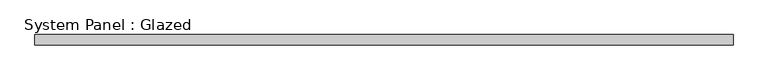
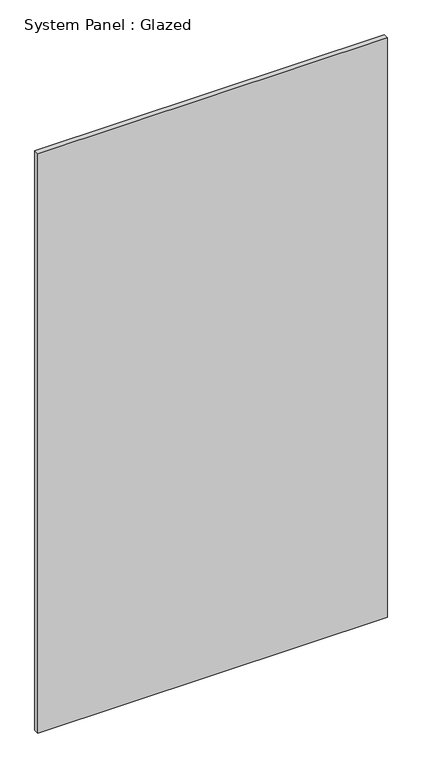
"""IFC4 building model written with IfcOpenShell, lengths in millimetres: plate geometry, System Panel : Glazed."""

from ifc_helpers import new_model, si_unit, origin, origin_with_axes, place, context, project, spatial, polyline, outline, extrude, source, transform, mapped, element, save


def system_panel_glazed_9e1f2db2(model_context):
    return source(origin(), model_context, "Body", "SweptSolid", [
        extrude(outline(polyline([(876.975, 19.05), (-876.975, 19.05), (-876.975, 44.45), (876.975, 44.45), (876.975, 19.05)])), origin_with_axes(), (0.0, 0.0, 1.0), 3073.0),
    ])


if __name__ == "__main__":
    model = new_model("IFC4")
    model_context = context("Model", 3, world=origin())
    ifc_project = project(units=[si_unit("LENGTHUNIT", "METRE", prefix="MILLI")], contexts=[model_context])
    site = spatial("IfcSite", under=ifc_project)
    building = spatial("IfcBuilding", under=site)
    placement = place(None, origin())
    system_panel_glazed_shape = system_panel_glazed_9e1f2db2(model_context)
    element("IfcPlate", 1, ObjectType="System Panel : Glazed", at=placement, inside=building, context=model_context, shape_type="MappedRepresentation", body=[
        mapped(system_panel_glazed_shape, transform((0.0, 0.0, 0.0), x_axis=(1.0, 0.0, 0.0), y_axis=(0.0, 1.0, 0.0), z_axis=(0.0, 0.0, 1.0))),
    ])
    save(model, "model.ifc")
